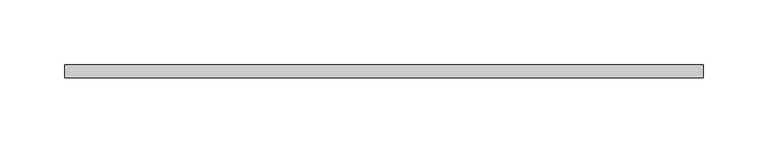
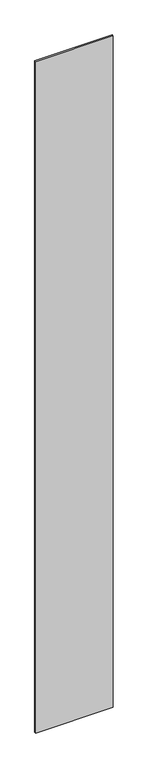
"""IFC4 building model written with IfcOpenShell, lengths in millimetres: plate geometry."""

import ifcopenshell
import ifcopenshell.guid

model = None  # the IFC model being written
_history = None  # IfcOwnerHistory: only IFC2X3 demands one
_inside = {}  # id of a spatial element -> (the spatial element, [elements in it])
_under = {}  # id of a project, library or spatial element -> (it, [spatial elements below it])
_declared = {}  # id of a project -> (the project, [libraries it declares])
_typed = {}  # id of a type object -> (the type object, [elements of that type])
_made_of = {}  # id of a material, layer set ... -> (it, [elements and type objects made of it])


def new_model(schema):
    """Start an empty IFC model of exactly this schema.

    Asked for "IFC4X3", IfcOpenShell would pick the latest addendum, in which some entities
    have other attributes; the version numbers below select the first issue.
    IFC2X3 requires an IfcOwnerHistory on every rooted entity: one is made here for all.
    """
    global model, _history
    if schema == "IFC4X3":
        model = ifcopenshell.file(schema_version=(4, 3, 0, 0))
    else:
        model = ifcopenshell.file(schema=schema)
    _inside.clear()
    _under.clear()
    _declared.clear()
    _typed.clear()
    _made_of.clear()
    _history = None
    if model.schema == "IFC2X3":
        org = make("IfcOrganization", Name="unknown")
        user = make(
            "IfcPersonAndOrganization",
            ThePerson=make("IfcPerson", FamilyName="unknown"),
            TheOrganization=org,
        )
        app = make(
            "IfcApplication",
            ApplicationDeveloper=org,
            Version="unknown",
            ApplicationFullName="unknown",
            ApplicationIdentifier="unknown",
        )
        _history = make(
            "IfcOwnerHistory",
            OwningUser=user,
            OwningApplication=app,
            ChangeAction="ADDED",
            CreationDate=0,
        )
    return model


def make(cls, **values):
    """One entity of the class cls with the attributes given. An attribute that is None is left unset."""
    return model.create_entity(
        cls, **{name: value for name, value in values.items() if value is not None}
    )


def rooted(cls, **values):
    """An entity with a GlobalId (a new one), such as an element, a storey or a relation."""
    return make(cls, GlobalId=ifcopenshell.guid.new(), OwnerHistory=_history, **values)


def si_unit(unit_type, name, prefix=None):
    """IfcSIUnit, for example si_unit("LENGTHUNIT", "METRE", prefix="MILLI")."""
    return make("IfcSIUnit", UnitType=unit_type, Prefix=prefix, Name=name)


def assignment(units):
    """IfcUnitAssignment: the units of a project."""
    return None if units is None else make("IfcUnitAssignment", Units=units)


def point(xyz):
    """IfcCartesianPoint."""
    return None if xyz is None else make("IfcCartesianPoint", Coordinates=xyz)


def direction(xyz):
    """IfcDirection."""
    return None if xyz is None else make("IfcDirection", DirectionRatios=xyz)


def frame(location, z_axis=None, x_axis=None):
    """IfcAxis2Placement3D, a coordinate frame: its origin and axes. An axis left out is left unset."""
    return make(
        "IfcAxis2Placement3D",
        Location=point(location),
        Axis=direction(z_axis),
        RefDirection=direction(x_axis),
    )


def origin():
    """The frame at (0, 0, 0) with its axes left unset."""
    return frame((0.0, 0.0, 0.0))


def origin_with_axes():
    """The frame at (0, 0, 0) with the z axis (0, 0, 1) and the x axis (1, 0, 0) written out."""
    return frame((0.0, 0.0, 0.0), z_axis=(0.0, 0.0, 1.0), x_axis=(1.0, 0.0, 0.0))


def place(relative_to, where):
    """IfcLocalPlacement: puts the frame where relative to a parent placement (None: the world)."""
    return make(
        "IfcLocalPlacement", PlacementRelTo=relative_to, RelativePlacement=where
    )


def context(
    kind, dimensions, precision=None, world=None, true_north=None, identifier=None
):
    """IfcGeometricRepresentationContext, for example the 3D "Model" context."""
    return make(
        "IfcGeometricRepresentationContext",
        ContextIdentifier=identifier,
        ContextType=kind,
        CoordinateSpaceDimension=dimensions,
        Precision=precision,
        WorldCoordinateSystem=world,
        TrueNorth=true_north,
    )


def project(units=None, contexts=None):
    """IfcProject with its units and contexts."""
    return rooted(
        "IfcProject",
        Name="project",
        RepresentationContexts=contexts,
        UnitsInContext=assignment(units),
    )


def spatial(cls, under=None, at=None, **own):
    """A site, building, storey or space (cls), placed at a placement, below another one or the project."""
    s = rooted(cls, ObjectPlacement=at, **own)
    if under is not None:
        _under.setdefault(under.id(), (under, []))[1].append(s)
    return s


def polyline(points):
    """IfcPolyline through the points."""
    return make("IfcPolyline", Points=[point(p) for p in points])


def outline(outer, holes=None, kind="AREA"):
    """IfcArbitraryClosedProfileDef: a profile drawn as a closed curve; with holes, ...WithVoids."""
    if holes is None:
        return make("IfcArbitraryClosedProfileDef", ProfileType=kind, OuterCurve=outer)
    return make(
        "IfcArbitraryProfileDefWithVoids",
        ProfileType=kind,
        OuterCurve=outer,
        InnerCurves=holes,
    )


def extrude(swept, where, along, depth):
    """IfcExtrudedAreaSolid: the profile swept, set in the frame where, extruded along a direction by depth."""
    return make(
        "IfcExtrudedAreaSolid",
        SweptArea=swept,
        Position=where,
        ExtrudedDirection=direction(along),
        Depth=depth,
    )


def shape(context_of_items, identifier, shape_type, items):
    """IfcShapeRepresentation: the items that make up one representation, for example the "Body"."""
    return make(
        "IfcShapeRepresentation",
        ContextOfItems=context_of_items,
        RepresentationIdentifier=identifier,
        RepresentationType=shape_type,
        Items=items,
    )


def source(mapping_origin, context_of_items, identifier, shape_type, items):
    """IfcRepresentationMap: a shape defined once, which mapped items show again and again."""
    return make(
        "IfcRepresentationMap",
        MappingOrigin=mapping_origin,
        MappedRepresentation=shape(context_of_items, identifier, shape_type, items),
    )


def transform(
    local_origin,
    x_axis=None,
    y_axis=None,
    z_axis=None,
    scale=None,
    scale2=None,
    scale3=None,
    uniform=True,
):
    """IfcCartesianTransformationOperator3D, or its non-uniform kind. x_axis, y_axis, z_axis: its Axis1, 2, 3."""
    if uniform:
        return make(
            "IfcCartesianTransformationOperator3D",
            Axis1=direction(x_axis),
            Axis2=direction(y_axis),
            LocalOrigin=point(local_origin),
            Scale=scale,
            Axis3=direction(z_axis),
        )
    return make(
        "IfcCartesianTransformationOperator3DnonUniform",
        Axis1=direction(x_axis),
        Axis2=direction(y_axis),
        LocalOrigin=point(local_origin),
        Scale=scale,
        Axis3=direction(z_axis),
        Scale2=scale2,
        Scale3=scale3,
    )


def mapped(mapping_source, mapping_target):
    """IfcMappedItem: shows the shape of a source again, moved by a transform."""
    return make(
        "IfcMappedItem", MappingSource=mapping_source, MappingTarget=mapping_target
    )


def made_of(thing, what):
    """Note that an element or type object is made of a material, layer set ...; save() writes the relation."""
    if what is not None:
        _made_of.setdefault(what.id(), (what, []))[1].append(thing)
    return thing


def element(
    cls,
    number,
    at=None,
    inside=None,
    cuts=None,
    type_object=None,
    material=None,
    context=None,
    identifier="Body",
    shape_type=None,
    held_by="IfcProductDefinitionShape",
    body=None,
    shapes=None,
    **own,
):
    """One element of the class cls, such as IfcWall. Its Tag is "e" and its number.

    at: its placement. inside: the storey or other place that contains it. cuts: it is an
    opening in that element (IfcRelVoidsElement). A single representation is given by context,
    identifier, shape_type and body (its items); several are given by shapes. held_by: the class
    of the entity that holds the representations. save() writes the other relations.
    """
    e = rooted(cls, Tag="e%d" % number, ObjectPlacement=at, **own)
    if body is not None:
        shapes = [shape(context, identifier, shape_type, body)]
    if shapes is not None:
        e.Representation = make(held_by, Representations=shapes)
    if inside is not None:
        _inside.setdefault(inside.id(), (inside, []))[1].append(e)
    if cuts is not None:
        rooted(
            "IfcRelVoidsElement", RelatingBuildingElement=cuts, RelatedOpeningElement=e
        )
    if type_object is not None:
        _typed.setdefault(type_object.id(), (type_object, []))[1].append(e)
    return made_of(e, material)


def aggregate(whole, parts):
    """IfcRelAggregates: a whole, such as a stair, and the parts it consists of."""
    return rooted("IfcRelAggregates", RelatingObject=whole, RelatedObjects=parts)


def save(model, path):
    """Write the relations noted so far, then the file.

    IfcRelAggregates (storeys below a building ...), IfcRelContainedInSpatialStructure (elements
    in a storey), IfcRelDefinesByType, IfcRelAssociatesMaterial and IfcRelDeclares: one each for
    every whole, place, type object, material and project.
    """
    for whole, parts in _under.values():
        aggregate(whole, parts)
    for where, things in _inside.values():
        rooted(
            "IfcRelContainedInSpatialStructure",
            RelatedElements=things,
            RelatingStructure=where,
        )
    for kind, things in _typed.values():
        rooted("IfcRelDefinesByType", RelatedObjects=things, RelatingType=kind)
    for what, things in _made_of.values():
        rooted("IfcRelAssociatesMaterial", RelatedObjects=things, RelatingMaterial=what)
    for by, libraries in _declared.values():
        rooted("IfcRelDeclares", RelatingContext=by, RelatedDefinitions=libraries)
    model.write(path)


def plate_3c753487(model_context):
    return source(origin(), model_context, "Body", "SweptSolid", [
        extrude(outline(polyline([(246.106759, -5.0), (-246.106759, -5.0), (-246.106759, 5.0), (246.106759, 5.0), (246.106759, -5.0)])), origin_with_axes(), (0.0, 0.0, 1.0), 4500.0),
    ])


if __name__ == "__main__":
    model = new_model("IFC4")
    model_context = context("Model", 3, world=origin())
    ifc_project = project(units=[si_unit("LENGTHUNIT", "METRE", prefix="MILLI")], contexts=[model_context])
    site = spatial("IfcSite", under=ifc_project)
    building = spatial("IfcBuilding", under=site)
    placement = place(None, origin())
    plate_shape = plate_3c753487(model_context)
    element("IfcPlate", 1, at=placement, inside=building, context=model_context, shape_type="MappedRepresentation", body=[
        mapped(plate_shape, transform((0.0, 0.0, 0.0), x_axis=(1.0, 0.0, 0.0), y_axis=(0.0, 1.0, 0.0), z_axis=(0.0, 0.0, 1.0))),
    ])
    save(model, "model.ifc")
